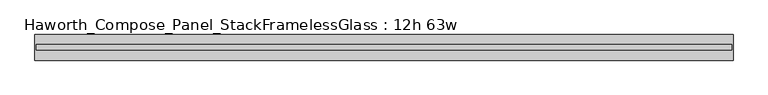
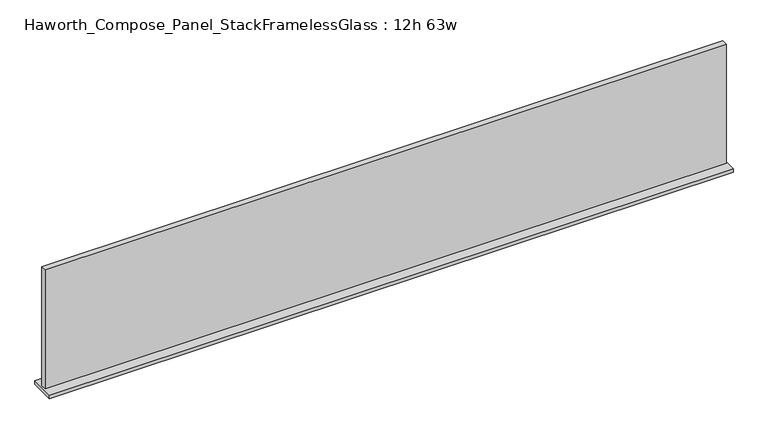
"""IFC4 building model written with IfcOpenShell, lengths in millimetres: furniture geometry, Haworth_Compose_Panel_StackFramelessGlass : 12h 63w."""

from ifc_helpers import new_model, si_unit, frame, origin, place, context, project, spatial, polyline, outline, extrude, source, transform, mapped, element, save


def haworth_compose_panel_stackframelessglass_12h_63w_0fd0f0f0(model_context):
    return source(origin(), model_context, "Body", "SweptSolid", [
        extrude(outline(polyline([(799.3652902, -27.3093594), (-794.4847098, -27.3093594), (-794.4847098, -14.6093594), (799.3652902, -14.6093594), (799.3652902, -27.3093594)])), frame((0.0, 0.0, 1279.525), z_axis=(0.0, 0.0, 1.0), x_axis=(1.0, 0.0, 0.0)), (0.0, 0.0, 1.0), 295.275),
        extrude(outline(polyline([(-797.6597098, -50.3281094), (-797.6597098, 8.4093906), (802.5402902, 8.4093906), (802.5402902, -50.3281094), (-797.6597098, -50.3281094)])), frame((0.0, 0.0, 1270.0), z_axis=(0.0, 0.0, 1.0), x_axis=(1.0, 0.0, 0.0)), (0.0, 0.0, 1.0), 9.525),
    ])


if __name__ == "__main__":
    model = new_model("IFC4")
    model_context = context("Model", 3, world=origin())
    ifc_project = project(units=[si_unit("LENGTHUNIT", "METRE", prefix="MILLI")], contexts=[model_context])
    site = spatial("IfcSite", under=ifc_project)
    building = spatial("IfcBuilding", under=site)
    placement = place(None, origin())
    haworth_compose_panel_stackframelessglass_12h_63w_shape = haworth_compose_panel_stackframelessglass_12h_63w_0fd0f0f0(model_context)
    element("IfcFurniture", 1, ObjectType="Haworth_Compose_Panel_StackFramelessGlass : 12h 63w", at=placement, inside=building, context=model_context, shape_type="MappedRepresentation", body=[
        mapped(haworth_compose_panel_stackframelessglass_12h_63w_shape, transform((0.0, 0.0, 0.0), x_axis=(1.0, 0.0, 0.0), y_axis=(0.0, 1.0, 0.0), z_axis=(0.0, 0.0, 1.0))),
    ])
    save(model, "model.ifc")
